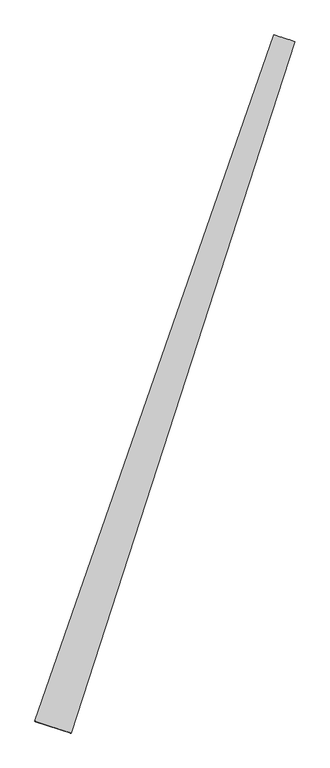
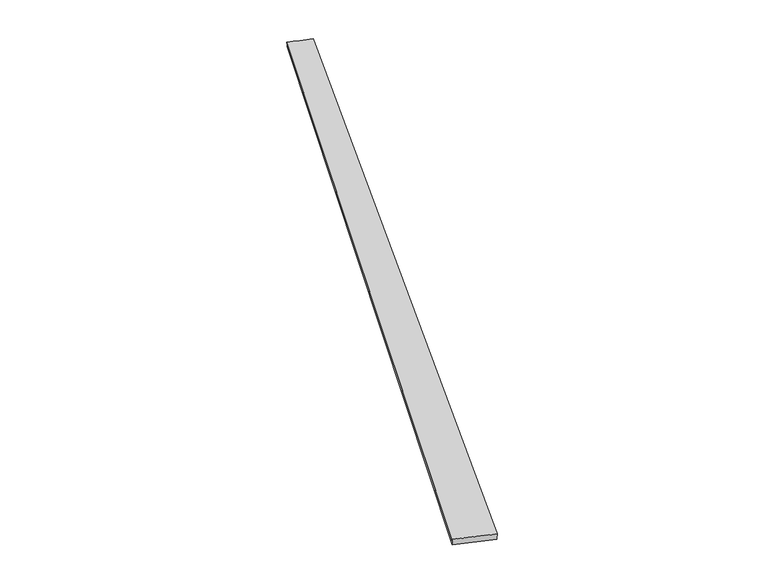
"""IFC4 building model written with IfcOpenShell, lengths in millimetres: proxy geometry."""

from ifc_helpers import new_model, si_unit, origin, place, context, project, spatial, source, transform, mapped, element, save
from ifc_brep_helpers import spline_surface, advanced_brep


def generic_models_1310b0af(model_context):
    return source(origin(), model_context, "Body", "AdvancedBrep", [
        advanced_brep(
        [(-665.8756202, -1686.8849044, 0.1208153), (-668.0165371, -1686.134969, 30.0349268), (658.7556081, 2117.1374736, 29.6344766), (661.5994053, 2116.1421983, -0.213844), (-466.4697279, -1750.5210335, 29.7872981), (775.3959719, 2079.7511163, 30.1058136), (-468.7007983, -1749.795175, -0.1208187), (772.9770132, 2080.5378811, 0.2138475)],
        [
            (0, 1),
            (1, 2),
            (2, 3),
            (3, 0),
            (1, 4),
            (4, 5),
            (5, 2),
            (4, 6),
            (6, 7),
            (7, 5),
            (6, 0),
            (3, 7),
        ],
        [
            spline_surface(1, 1, [[(-665.8756202, -1686.8849044, 0.1208153), (661.5994053, 2116.1421983, -0.213844)], [(-668.0165371, -1686.134969, 30.0349268), (658.7556081, 2117.1374736, 29.6344766)]], [2, 2], [2, 2], [0.0, 1.0], [0.0, 1.0]),
            spline_surface(1, 1, [[(-668.0165371, -1686.134969, 30.0349268), (658.7556081, 2117.1374736, 29.6344766)], [(-466.4697279, -1750.5210335, 29.7872981), (775.3959719, 2079.7511163, 30.1058136)]], [2, 2], [2, 2], [0.0, 1.0], [0.0, 1.0]),
            spline_surface(1, 1, [[(-466.4697279, -1750.5210335, 29.7872981), (775.3959719, 2079.7511163, 30.1058136)], [(-468.7007983, -1749.795175, -0.1208187), (772.9770132, 2080.5378811, 0.2138475)]], [2, 2], [2, 2], [0.0, 1.0], [0.0, 1.0]),
            spline_surface(1, 1, [[(-468.7007983, -1749.795175, -0.1208187), (772.9770132, 2080.5378811, 0.2138475)], [(-665.8756202, -1686.8849044, 0.1208153), (661.5994053, 2116.1421983, -0.213844)]], [2, 2], [2, 2], [0.0, 1.0], [0.0, 1.0]),
            spline_surface(1, 1, [[(658.7556081, 2117.1374736, 29.6344766), (661.5994053, 2116.1421983, -0.213844)], [(775.3959719, 2079.7511163, 30.1058136), (772.9770132, 2080.5378811, 0.2138475)]], [2, 2], [2, 2], [0.0, 1.0], [0.0, 1.0]),
            spline_surface(1, 1, [[(-468.7007983, -1749.795175, -0.1208187), (-665.8756202, -1686.8849044, 0.1208153)], [(-466.4697279, -1750.5210335, 29.7872981), (-668.0165371, -1686.134969, 30.0349268)]], [2, 2], [2, 2], [0.0, 1.0], [0.0, 1.0]),
        ],
        [
            (0, [[1, 2, 3, 4]]),
            (1, [[5, 6, 7, -2]]),
            (2, [[8, 9, 10, -6]]),
            (3, [[11, -4, 12, -9]]),
            (4, [[-3, -7, -10, -12]]),
            (5, [[-11, -8, -5, -1]]),
        ],
    ),
    ])


if __name__ == "__main__":
    model = new_model("IFC4")
    model_context = context("Model", 3, world=origin())
    ifc_project = project(units=[si_unit("LENGTHUNIT", "METRE", prefix="MILLI")], contexts=[model_context])
    site = spatial("IfcSite", under=ifc_project)
    building = spatial("IfcBuilding", under=site)
    placement = place(None, origin())
    generic_models_shape = generic_models_1310b0af(model_context)
    element("IfcBuildingElementProxy", 1, Name="Generic Models", at=placement, inside=building, context=model_context, shape_type="MappedRepresentation", body=[
        mapped(generic_models_shape, transform((0.0, 0.0, 0.0), x_axis=(1.0, 0.0, 0.0), y_axis=(0.0, 1.0, 0.0), z_axis=(0.0, 0.0, 1.0))),
    ])
    save(model, "model.ifc")
